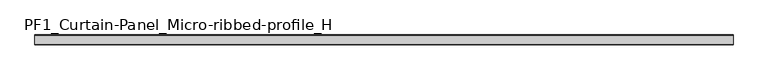
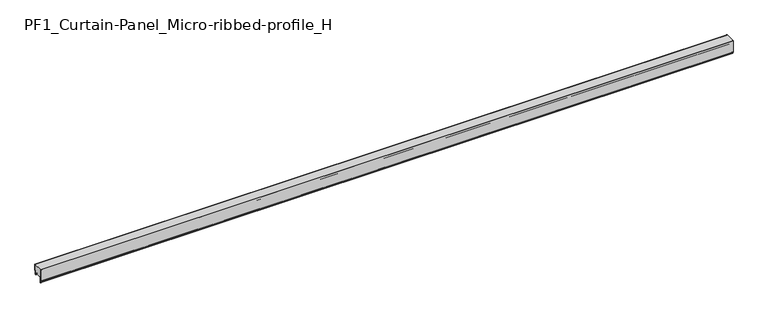
"""IFC4 building model written with IfcOpenShell, lengths in millimetres: plate geometry, PF1_Curtain-Panel_Micro-ribbed-profile_H."""

from ifc_helpers import new_model, si_unit, point, frame, frame_2d, origin, place, context, project, spatial, polyline, circle_curve, trimmed, segment, composite_curve, outline, extrude, source, transform, mapped, element, save


def pf1_curtain_panel_micro_ribbed_profile_h_e3ee57b6(model_context):
    return source(origin(), model_context, "Body", "SweptSolid", [
        extrude(outline(composite_curve([segment(polyline([(-50.0, 0.0), (-53.5, 0.0)]), True, "CONTINUOUS"), segment(trimmed(circle_curve(frame_2d((-53.5, -2.0)), 2.0), [point((-53.5, 0.0))], [point((-55.5, -2.0))], True, "CARTESIAN"), True, "CONTINUOUS"), segment(polyline([(-55.5, -2.0), (-55.5, -33.0)]), True, "CONTINUOUS"), segment(trimmed(circle_curve(frame_2d((-56.5, -33.0)), 1.0), [point((-55.5, -33.0))], [point((-57.5, -33.0))], False, "CARTESIAN"), True, "CONTINUOUS"), segment(polyline([(-57.5, -33.0), (-57.5, -26.9)]), True, "CONTINUOUS"), segment(trimmed(circle_curve(frame_2d((-58.4, -26.9)), 0.9), [point((-57.5, -26.9))], [point((-58.4, -26.0))], True, "CARTESIAN"), True, "CONTINUOUS"), segment(trimmed(circle_curve(frame_2d((-58.4, -24.4)), 1.6), [point((-58.4, -26.0))], [point((-60.0, -24.4))], False, "CARTESIAN"), True, "CONTINUOUS"), segment(polyline([(-60.0, -24.4), (-60.0, 50.0), (-59.2, 50.0), (-59.2, -24.4)]), True, "CONTINUOUS"), segment(trimmed(circle_curve(frame_2d((-58.4, -24.4)), 0.8), [point((-59.2, -24.4))], [point((-58.4, -25.2))], True, "CARTESIAN"), True, "CONTINUOUS"), segment(trimmed(circle_curve(frame_2d((-58.6133333, -26.9)), 1.7133333), [point((-58.4, -25.2))], [point((-56.9, -26.9))], False, "CARTESIAN"), True, "CONTINUOUS"), segment(polyline([(-56.9, -26.9), (-56.9, -32.8700312)]), True, "CONTINUOUS"), segment(trimmed(circle_curve(frame_2d((-56.6, -32.8700312)), 0.3), [point((-56.9, -32.8700312))], [point((-56.3, -32.8700312))], True, "CARTESIAN"), True, "CONTINUOUS"), segment(polyline([(-56.3, -32.8700312), (-56.3, -2.0)]), True, "CONTINUOUS"), segment(trimmed(circle_curve(frame_2d((-53.5, -2.0)), 2.8), [point((-56.3, -2.0))], [point((-53.5, 0.8))], False, "CARTESIAN"), True, "CONTINUOUS"), segment(polyline([(-53.5, 0.8), (-50.0, 0.8), (-50.0, 0.0)]), True, "CONTINUOUS")], self_intersect=False)), frame((-2100.0, 0.0, 0.0), z_axis=(1.0, 0.0, 0.0), x_axis=(0.0, 1.0, 0.0)), (0.0, 0.0, 1.0), 4200.0),
        extrude(outline(composite_curve([segment(polyline([(-15.878557, 0.0), (-20.0, 0.0), (-20.0, 0.8), (-15.878557, 0.8)]), True, "CONTINUOUS"), segment(trimmed(circle_curve(frame_2d((-15.878557, -2.0)), 2.8), [point((-15.878557, 0.8))], [point((-13.1503208, -1.370137))], False, "CARTESIAN"), True, "CONTINUOUS"), segment(polyline([(-13.1503208, -1.370137), (-11.728236, -7.529863)]), True, "CONTINUOUS"), segment(trimmed(circle_curve(frame_2d((-9.0, -6.9)), 2.8), [point((-11.728236, -7.529863))], [point((-6.2, -6.9))], True, "CARTESIAN"), True, "CONTINUOUS"), segment(polyline([(-6.2, -6.9), (-6.2, 8.6)]), True, "CONTINUOUS"), segment(trimmed(circle_curve(frame_2d((-3.4, 8.6)), 2.8), [point((-6.2, 8.6))], [point((-3.4, 11.4))], False, "CARTESIAN"), True, "CONTINUOUS"), segment(polyline([(-3.4, 11.4), (-2.0, 11.4)]), True, "CONTINUOUS"), segment(trimmed(circle_curve(frame_2d((-2.0, 12.6)), 1.2), [point((-2.0, 11.4))], [point((-0.8, 12.6))], True, "CARTESIAN"), True, "CONTINUOUS"), segment(polyline([(-0.8, 12.6), (-0.8, 50.0), (0.0, 50.0), (0.0, 12.6)]), True, "CONTINUOUS"), segment(trimmed(circle_curve(frame_2d((-2.0, 12.6)), 2.0), [point((0.0, 12.6))], [point((-2.0, 10.6))], False, "CARTESIAN"), True, "CONTINUOUS"), segment(polyline([(-2.0, 10.6), (-3.4, 10.6)]), True, "CONTINUOUS"), segment(trimmed(circle_curve(frame_2d((-3.4, 8.6)), 2.0), [point((-3.4, 10.6))], [point((-5.4, 8.6))], True, "CARTESIAN"), True, "CONTINUOUS"), segment(polyline([(-5.4, 8.6), (-5.4, -6.9)]), True, "CONTINUOUS"), segment(trimmed(circle_curve(frame_2d((-9.0, -6.9)), 3.6), [point((-5.4, -6.9))], [point((-12.5077322, -7.7098239))], False, "CARTESIAN"), True, "CONTINUOUS"), segment(polyline([(-12.5077322, -7.7098239), (-13.929817, -1.5500979)]), True, "CONTINUOUS"), segment(trimmed(circle_curve(frame_2d((-15.878557, -2.0)), 2.0), [point((-13.929817, -1.5500979))], [point((-15.878557, 0.0))], True, "CARTESIAN"), True, "CONTINUOUS")], self_intersect=False)), frame((-2100.0, 0.0, 0.0), z_axis=(1.0, 0.0, 0.0), x_axis=(0.0, 1.0, 0.0)), (0.0, 0.0, 1.0), 4200.0),
        extrude(outline(composite_curve([segment(polyline([(-50.0, 0.8), (-53.5, 0.8)]), True, "CONTINUOUS"), segment(trimmed(circle_curve(frame_2d((-53.5, -2.0)), 2.8), [point((-53.5, 0.8))], [point((-56.3, -2.0))], True, "CARTESIAN"), True, "CONTINUOUS"), segment(polyline([(-56.3, -2.0), (-56.3, -32.8700312)]), True, "CONTINUOUS"), segment(trimmed(circle_curve(frame_2d((-56.6, -32.8700312)), 0.3), [point((-56.3, -32.8700312))], [point((-56.9, -32.8700312))], False, "CARTESIAN"), True, "CONTINUOUS"), segment(polyline([(-56.9, -32.8700312), (-56.9, -26.9)]), True, "CONTINUOUS"), segment(trimmed(circle_curve(frame_2d((-58.6133333, -26.9)), 1.7133333), [point((-56.9, -26.9))], [point((-58.4, -25.2))], True, "CARTESIAN"), True, "CONTINUOUS"), segment(trimmed(circle_curve(frame_2d((-58.4, -24.4)), 0.8), [point((-58.4, -25.2))], [point((-59.2, -24.4))], False, "CARTESIAN"), True, "CONTINUOUS"), segment(polyline([(-59.2, -24.4), (-59.2, 50.0), (-0.8, 50.0), (-0.8, 12.6)]), True, "CONTINUOUS"), segment(trimmed(circle_curve(frame_2d((-2.0, 12.6)), 1.2), [point((-0.8, 12.6))], [point((-2.0, 11.4))], False, "CARTESIAN"), True, "CONTINUOUS"), segment(polyline([(-2.0, 11.4), (-3.4, 11.4)]), True, "CONTINUOUS"), segment(trimmed(circle_curve(frame_2d((-3.4, 8.6)), 2.8), [point((-3.4, 11.4))], [point((-6.2, 8.6))], True, "CARTESIAN"), True, "CONTINUOUS"), segment(polyline([(-6.2, 8.6), (-6.2, -6.9)]), True, "CONTINUOUS"), segment(trimmed(circle_curve(frame_2d((-9.0, -6.9)), 2.8), [point((-6.2, -6.9))], [point((-11.7282362, -7.529863))], False, "CARTESIAN"), True, "CONTINUOUS"), segment(polyline([(-11.7282362, -7.529863), (-13.1503208, -1.370137)]), True, "CONTINUOUS"), segment(trimmed(circle_curve(frame_2d((-15.878557, -2.0)), 2.8), [point((-13.1503208, -1.370137))], [point((-15.878557, 0.8))], True, "CARTESIAN"), True, "CONTINUOUS"), segment(polyline([(-15.878557, 0.8), (-20.0, 0.8), (-20.0, 0.0), (-50.0, 0.0), (-50.0, 0.8)]), True, "CONTINUOUS")], self_intersect=False)), frame((-2100.0, 0.0, 0.0), z_axis=(1.0, 0.0, 0.0), x_axis=(0.0, 1.0, 0.0)), (0.0, 0.0, 1.0), 4200.0),
    ])


if __name__ == "__main__":
    model = new_model("IFC4")
    model_context = context("Model", 3, world=origin())
    ifc_project = project(units=[si_unit("LENGTHUNIT", "METRE", prefix="MILLI")], contexts=[model_context])
    site = spatial("IfcSite", under=ifc_project)
    building = spatial("IfcBuilding", under=site)
    placement = place(None, origin())
    pf1_curtain_panel_micro_ribbed_profile_h_shape = pf1_curtain_panel_micro_ribbed_profile_h_e3ee57b6(model_context)
    element("IfcPlate", 1, ObjectType="PF1_Curtain-Panel_Micro-ribbed-profile_H", at=placement, inside=building, context=model_context, shape_type="MappedRepresentation", body=[
        mapped(pf1_curtain_panel_micro_ribbed_profile_h_shape, transform((0.0, 0.0, 0.0), x_axis=(1.0, 0.0, 0.0), y_axis=(0.0, 1.0, 0.0), z_axis=(0.0, 0.0, 1.0))),
    ])
    save(model, "model.ifc")
